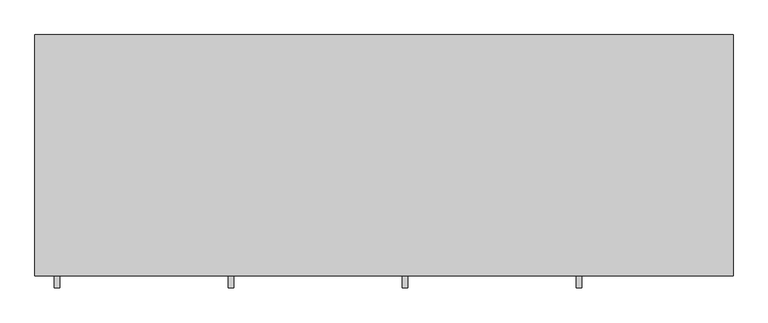
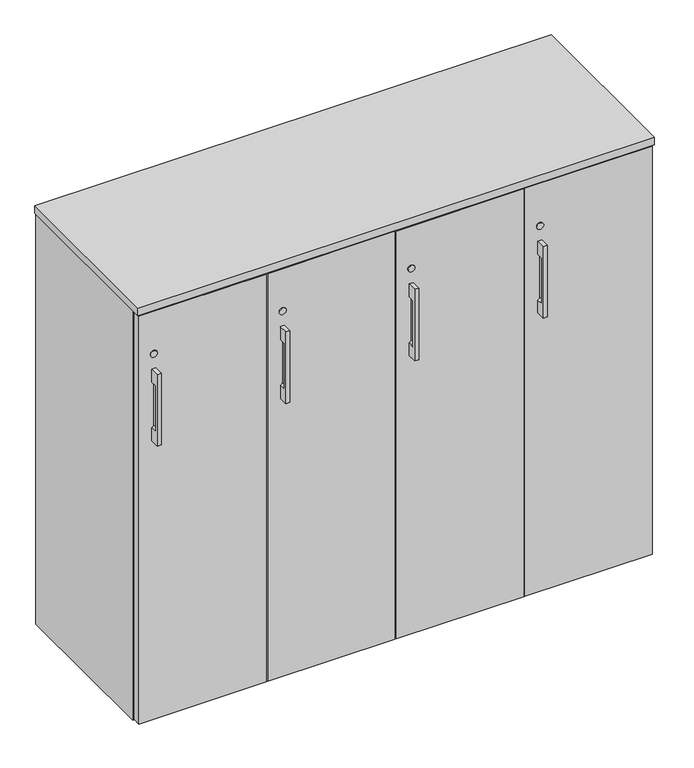
"""IFC4 building model written with IfcOpenShell, lengths in millimetres: furniture geometry."""

import ifcopenshell
import ifcopenshell.guid

model = None  # the IFC model being written
_history = None  # IfcOwnerHistory: only IFC2X3 demands one
_inside = {}  # id of a spatial element -> (the spatial element, [elements in it])
_under = {}  # id of a project, library or spatial element -> (it, [spatial elements below it])
_declared = {}  # id of a project -> (the project, [libraries it declares])
_typed = {}  # id of a type object -> (the type object, [elements of that type])
_made_of = {}  # id of a material, layer set ... -> (it, [elements and type objects made of it])


def new_model(schema):
    """Start an empty IFC model of exactly this schema.

    Asked for "IFC4X3", IfcOpenShell would pick the latest addendum, in which some entities
    have other attributes; the version numbers below select the first issue.
    IFC2X3 requires an IfcOwnerHistory on every rooted entity: one is made here for all.
    """
    global model, _history
    if schema == "IFC4X3":
        model = ifcopenshell.file(schema_version=(4, 3, 0, 0))
    else:
        model = ifcopenshell.file(schema=schema)
    _inside.clear()
    _under.clear()
    _declared.clear()
    _typed.clear()
    _made_of.clear()
    _history = None
    if model.schema == "IFC2X3":
        org = make("IfcOrganization", Name="unknown")
        user = make(
            "IfcPersonAndOrganization",
            ThePerson=make("IfcPerson", FamilyName="unknown"),
            TheOrganization=org,
        )
        app = make(
            "IfcApplication",
            ApplicationDeveloper=org,
            Version="unknown",
            ApplicationFullName="unknown",
            ApplicationIdentifier="unknown",
        )
        _history = make(
            "IfcOwnerHistory",
            OwningUser=user,
            OwningApplication=app,
            ChangeAction="ADDED",
            CreationDate=0,
        )
    return model


def make(cls, **values):
    """One entity of the class cls with the attributes given. An attribute that is None is left unset."""
    return model.create_entity(
        cls, **{name: value for name, value in values.items() if value is not None}
    )


def rooted(cls, **values):
    """An entity with a GlobalId (a new one), such as an element, a storey or a relation."""
    return make(cls, GlobalId=ifcopenshell.guid.new(), OwnerHistory=_history, **values)


def si_unit(unit_type, name, prefix=None):
    """IfcSIUnit, for example si_unit("LENGTHUNIT", "METRE", prefix="MILLI")."""
    return make("IfcSIUnit", UnitType=unit_type, Prefix=prefix, Name=name)


def assignment(units):
    """IfcUnitAssignment: the units of a project."""
    return None if units is None else make("IfcUnitAssignment", Units=units)


def point(xyz):
    """IfcCartesianPoint."""
    return None if xyz is None else make("IfcCartesianPoint", Coordinates=xyz)


def direction(xyz):
    """IfcDirection."""
    return None if xyz is None else make("IfcDirection", DirectionRatios=xyz)


def frame(location, z_axis=None, x_axis=None):
    """IfcAxis2Placement3D, a coordinate frame: its origin and axes. An axis left out is left unset."""
    return make(
        "IfcAxis2Placement3D",
        Location=point(location),
        Axis=direction(z_axis),
        RefDirection=direction(x_axis),
    )


def frame_2d(location, x_axis=None):
    """IfcAxis2Placement2D, a coordinate frame in the plane: its origin and x axis."""
    return make(
        "IfcAxis2Placement2D", Location=point(location), RefDirection=direction(x_axis)
    )


def origin():
    """The frame at (0, 0, 0) with its axes left unset."""
    return frame((0.0, 0.0, 0.0))


def origin_with_axes():
    """The frame at (0, 0, 0) with the z axis (0, 0, 1) and the x axis (1, 0, 0) written out."""
    return frame((0.0, 0.0, 0.0), z_axis=(0.0, 0.0, 1.0), x_axis=(1.0, 0.0, 0.0))


def place(relative_to, where):
    """IfcLocalPlacement: puts the frame where relative to a parent placement (None: the world)."""
    return make(
        "IfcLocalPlacement", PlacementRelTo=relative_to, RelativePlacement=where
    )


def context(
    kind, dimensions, precision=None, world=None, true_north=None, identifier=None
):
    """IfcGeometricRepresentationContext, for example the 3D "Model" context."""
    return make(
        "IfcGeometricRepresentationContext",
        ContextIdentifier=identifier,
        ContextType=kind,
        CoordinateSpaceDimension=dimensions,
        Precision=precision,
        WorldCoordinateSystem=world,
        TrueNorth=true_north,
    )


def project(units=None, contexts=None):
    """IfcProject with its units and contexts."""
    return rooted(
        "IfcProject",
        Name="project",
        RepresentationContexts=contexts,
        UnitsInContext=assignment(units),
    )


def spatial(cls, under=None, at=None, **own):
    """A site, building, storey or space (cls), placed at a placement, below another one or the project."""
    s = rooted(cls, ObjectPlacement=at, **own)
    if under is not None:
        _under.setdefault(under.id(), (under, []))[1].append(s)
    return s


def polyline(points):
    """IfcPolyline through the points."""
    return make("IfcPolyline", Points=[point(p) for p in points])


def circle_curve(where, radius):
    """IfcCircle in the frame where."""
    return make("IfcCircle", Position=where, Radius=radius)


def trimmed(basis, trim1, trim2, sense, master):
    """IfcTrimmedCurve: the piece of a basis curve between two trims."""
    return make(
        "IfcTrimmedCurve",
        BasisCurve=basis,
        Trim1=trim1,
        Trim2=trim2,
        SenseAgreement=sense,
        MasterRepresentation=master,
    )


def segment(curve, same_sense, transition):
    """IfcCompositeCurveSegment."""
    return make(
        "IfcCompositeCurveSegment",
        Transition=transition,
        SameSense=same_sense,
        ParentCurve=curve,
    )


def composite_curve(segments, self_intersect=None):
    """IfcCompositeCurve: segments joined end to end."""
    return make("IfcCompositeCurve", Segments=segments, SelfIntersect=self_intersect)


def outline(outer, holes=None, kind="AREA"):
    """IfcArbitraryClosedProfileDef: a profile drawn as a closed curve; with holes, ...WithVoids."""
    if holes is None:
        return make("IfcArbitraryClosedProfileDef", ProfileType=kind, OuterCurve=outer)
    return make(
        "IfcArbitraryProfileDefWithVoids",
        ProfileType=kind,
        OuterCurve=outer,
        InnerCurves=holes,
    )


def extrude(swept, where, along, depth):
    """IfcExtrudedAreaSolid: the profile swept, set in the frame where, extruded along a direction by depth."""
    return make(
        "IfcExtrudedAreaSolid",
        SweptArea=swept,
        Position=where,
        ExtrudedDirection=direction(along),
        Depth=depth,
    )


def shape(context_of_items, identifier, shape_type, items):
    """IfcShapeRepresentation: the items that make up one representation, for example the "Body"."""
    return make(
        "IfcShapeRepresentation",
        ContextOfItems=context_of_items,
        RepresentationIdentifier=identifier,
        RepresentationType=shape_type,
        Items=items,
    )


def source(mapping_origin, context_of_items, identifier, shape_type, items):
    """IfcRepresentationMap: a shape defined once, which mapped items show again and again."""
    return make(
        "IfcRepresentationMap",
        MappingOrigin=mapping_origin,
        MappedRepresentation=shape(context_of_items, identifier, shape_type, items),
    )


def transform(
    local_origin,
    x_axis=None,
    y_axis=None,
    z_axis=None,
    scale=None,
    scale2=None,
    scale3=None,
    uniform=True,
):
    """IfcCartesianTransformationOperator3D, or its non-uniform kind. x_axis, y_axis, z_axis: its Axis1, 2, 3."""
    if uniform:
        return make(
            "IfcCartesianTransformationOperator3D",
            Axis1=direction(x_axis),
            Axis2=direction(y_axis),
            LocalOrigin=point(local_origin),
            Scale=scale,
            Axis3=direction(z_axis),
        )
    return make(
        "IfcCartesianTransformationOperator3DnonUniform",
        Axis1=direction(x_axis),
        Axis2=direction(y_axis),
        LocalOrigin=point(local_origin),
        Scale=scale,
        Axis3=direction(z_axis),
        Scale2=scale2,
        Scale3=scale3,
    )


def mapped(mapping_source, mapping_target):
    """IfcMappedItem: shows the shape of a source again, moved by a transform."""
    return make(
        "IfcMappedItem", MappingSource=mapping_source, MappingTarget=mapping_target
    )


def made_of(thing, what):
    """Note that an element or type object is made of a material, layer set ...; save() writes the relation."""
    if what is not None:
        _made_of.setdefault(what.id(), (what, []))[1].append(thing)
    return thing


def element(
    cls,
    number,
    at=None,
    inside=None,
    cuts=None,
    type_object=None,
    material=None,
    context=None,
    identifier="Body",
    shape_type=None,
    held_by="IfcProductDefinitionShape",
    body=None,
    shapes=None,
    **own,
):
    """One element of the class cls, such as IfcWall. Its Tag is "e" and its number.

    at: its placement. inside: the storey or other place that contains it. cuts: it is an
    opening in that element (IfcRelVoidsElement). A single representation is given by context,
    identifier, shape_type and body (its items); several are given by shapes. held_by: the class
    of the entity that holds the representations. save() writes the other relations.
    """
    e = rooted(cls, Tag="e%d" % number, ObjectPlacement=at, **own)
    if body is not None:
        shapes = [shape(context, identifier, shape_type, body)]
    if shapes is not None:
        e.Representation = make(held_by, Representations=shapes)
    if inside is not None:
        _inside.setdefault(inside.id(), (inside, []))[1].append(e)
    if cuts is not None:
        rooted(
            "IfcRelVoidsElement", RelatingBuildingElement=cuts, RelatedOpeningElement=e
        )
    if type_object is not None:
        _typed.setdefault(type_object.id(), (type_object, []))[1].append(e)
    return made_of(e, material)


def aggregate(whole, parts):
    """IfcRelAggregates: a whole, such as a stair, and the parts it consists of."""
    return rooted("IfcRelAggregates", RelatingObject=whole, RelatedObjects=parts)


def save(model, path):
    """Write the relations noted so far, then the file.

    IfcRelAggregates (storeys below a building ...), IfcRelContainedInSpatialStructure (elements
    in a storey), IfcRelDefinesByType, IfcRelAssociatesMaterial and IfcRelDeclares: one each for
    every whole, place, type object, material and project.
    """
    for whole, parts in _under.values():
        aggregate(whole, parts)
    for where, things in _inside.values():
        rooted(
            "IfcRelContainedInSpatialStructure",
            RelatedElements=things,
            RelatingStructure=where,
        )
    for kind, things in _typed.values():
        rooted("IfcRelDefinesByType", RelatedObjects=things, RelatingType=kind)
    for what, things in _made_of.values():
        rooted("IfcRelAssociatesMaterial", RelatedObjects=things, RelatingMaterial=what)
    for by, libraries in _declared.values():
        rooted("IfcRelDeclares", RelatingContext=by, RelatedDefinitions=libraries)
    model.write(path)


def plane_surface(at):
    """IfcPlane: the flat surface through the origin of the frame at, square to its z axis."""
    return make("IfcPlane", Position=at)


def revolved_surface(curve, axis_point, axis_direction):
    """IfcSurfaceOfRevolution: the curve turned about the line through axis_point along axis_direction."""
    return make(
        "IfcSurfaceOfRevolution",
        SweptCurve=make("IfcArbitraryOpenProfileDef", ProfileType="CURVE", Curve=curve),
        AxisPosition=make("IfcAxis1Placement", Location=point(axis_point), Axis=direction(axis_direction)),
    )


def advanced_brep(points, edges, surfaces, faces):
    """IfcAdvancedBrep: a solid bounded by faces that lie on surfaces and meet in shared edges.

    An edge is (start, end): straight between two places in points (the first is 0);
    or (start, end, curve); or (start, end, curve, False) where it runs against its curve.
    A face is (place in surfaces, loops), or (place, loops, False) where it looks against
    its surface's normal. A loop lists edges by number (the first is 1), with a minus sign
    where the edge is run from its end to its start. The first loop is the outer one.
    """
    corners = [point(p) for p in points]
    vertices = [make("IfcVertexPoint", VertexGeometry=c) for c in corners]
    made = []
    for start, end, *more in edges:
        made.append(
            make(
                "IfcEdgeCurve",
                EdgeStart=vertices[start],
                EdgeEnd=vertices[end],
                EdgeGeometry=more[0] if more else make("IfcPolyline", Points=[corners[start], corners[end]]),
                SameSense=more[1] if len(more) > 1 else True,
            )
        )
    hull = []
    for where, loops, *sense in faces:
        bounds = []
        for j, loop in enumerate(loops):
            ring = [make("IfcOrientedEdge", EdgeElement=made[abs(k) - 1], Orientation=k > 0) for k in loop]
            bounds.append(
                make(
                    "IfcFaceOuterBound" if j == 0 else "IfcFaceBound",
                    Bound=make("IfcEdgeLoop", EdgeList=ring),
                    Orientation=True,
                )
            )
        hull.append(make("IfcAdvancedFace", Bounds=bounds, FaceSurface=surfaces[where], SameSense=sense[0] if sense else True))
    return make("IfcAdvancedBrep", Outer=make("IfcClosedShell", CfsFaces=hull))


def furniture_000dd301(model_context):
    return source(origin(), model_context, "Body", "SolidModel", [
        advanced_brep(
        [(33.3362221, -447.8115021, 878.8908), (33.3362221, -447.8115021, 701.0908), (42.8612221, -447.8115021, 701.0908), (42.8612221, -447.8115021, 878.8908), (33.3362221, -425.5865021, 878.8908), (42.8612221, -425.5865021, 878.8908), (42.8612221, -425.5865021, 701.0908), (33.3362221, -425.5865021, 701.0908), (33.3362221, -425.5865021, 733.0424389), (38.0987221, -425.5865021, 739.1908), (38.0987221, -425.5865021, 840.7908), (33.3362221, -425.5865021, 846.9391611), (33.3362221, -441.523499, 846.9391611), (33.3362221, -441.523499, 733.0424389), (38.0987221, -441.523499, 840.7908), (38.0987221, -441.523499, 739.1908)],
        [
            (0, 1),
            (1, 2),
            (2, 3),
            (3, 0),
            (4, 5),
            (5, 6),
            (6, 7),
            (7, 8),
            (8, 9, circle_curve(frame((31.7487221, -425.5865021, 739.1908), z_axis=(0.0, -1.0, 0.0), x_axis=(1.0, 0.0, 0.0)), 6.35)),
            (9, 10),
            (10, 11, circle_curve(frame((31.7487221, -425.5865021, 840.7908), z_axis=(0.0, -1.0, 0.0), x_axis=(1.0, 0.0, 0.0)), 6.35)),
            (11, 4),
            (0, 4),
            (11, 12),
            (12, 13),
            (13, 8),
            (7, 1),
            (6, 2),
            (5, 3),
            (14, 15),
            (15, 13, circle_curve(frame((31.7487221, -441.523499, 739.1908), z_axis=(0.0, 1.0, 0.0), x_axis=(1.0, 0.0, 0.0)), 6.35)),
            (12, 14, circle_curve(frame((31.7487221, -441.523499, 840.7908), z_axis=(0.0, 1.0, 0.0), x_axis=(1.0, 0.0, 0.0)), 6.35)),
            (14, 10),
            (9, 15),
        ],
        [
            plane_surface(frame((33.3362221, -447.8115021, 701.0908), z_axis=(0.0, -1.0, 0.0), x_axis=(0.0, 0.0, -1.0))),
            plane_surface(frame((33.3362221, -425.5865021, 701.0908), z_axis=(0.0, 1.0, 0.0), x_axis=(0.0, 0.0, 1.0))),
            plane_surface(frame((33.3362221, -447.8115021, 878.8908), z_axis=(-1.0, 0.0, 0.0), x_axis=(0.0, 1.0, 0.0))),
            plane_surface(frame((33.3362221, -447.8115021, 701.0908), z_axis=(0.0, 0.0, -1.0), x_axis=(0.0, 1.0, 0.0))),
            plane_surface(frame((42.8612221, -447.8115021, 701.0908), z_axis=(1.0, 0.0, 0.0), x_axis=(0.0, 1.0, 0.0))),
            plane_surface(frame((42.8612221, -447.8115021, 878.8908), z_axis=(0.0, 0.0, 1.0), x_axis=(0.0, 1.0, 0.0))),
            plane_surface(frame((19.0487221, -441.523499, 847.1408), z_axis=(0.0, 1.0, 0.0), x_axis=(-1.0, 0.0, 0.0))),
            plane_surface(frame((38.0987221, -441.523499, 739.1908), z_axis=(-1.0, 0.0, 0.0), x_axis=(0.0, 1.0, 0.0))),
            revolved_surface(polyline([(38.098722099999996, -441.523499, 739.1908), (38.098722099999996, -425.5865021, 739.1908)]), (31.7487221, -425.5865021, 739.1908), (0.0, -1.0, 0.0)),
            revolved_surface(polyline([(38.098722099999996, -441.523499, 840.7908), (38.098722099999996, -425.5865021, 840.7908)]), (31.7487221, -425.5865021, 840.7908), (0.0, -1.0, 0.0)),
        ],
        [
            (0, [[1, 2, 3, 4]]),
            (1, [[5, 6, 7, 8, 9, 10, 11, 12]]),
            (2, [[-1, 13, -12, 14, 15, 16, -8, 17]]),
            (3, [[-2, -17, -7, 18]]),
            (4, [[-3, -18, -6, 19]]),
            (5, [[-4, -19, -5, -13]]),
            (6, [[20, 21, -15, 22]]),
            (7, [[-20, 23, -10, 24]]),
            (8, [[-24, -9, -16, -21]]),
            (9, [[-23, -22, -14, -11]]),
        ],
    ),
        advanced_brep(
        [(940.5924958, -447.8115021, 878.8908), (940.5924958, -447.8115021, 701.0908), (950.1174958, -447.8115021, 701.0908), (950.1174958, -447.8115021, 878.8908), (940.5924958, -425.5865021, 878.8908), (950.1174958, -425.5865021, 878.8908), (950.1174958, -425.5865021, 701.0908), (940.5924958, -425.5865021, 701.0908), (940.5924958, -425.5865021, 733.0424389), (945.3549958, -425.5865021, 739.1908), (945.3549958, -425.5865021, 840.7908), (940.5924958, -425.5865021, 846.9391611), (940.5924958, -441.523499, 846.9391611), (940.5924958, -441.523499, 733.0424389), (945.3549958, -441.523499, 840.7908), (945.3549958, -441.523499, 739.1908)],
        [
            (0, 1),
            (1, 2),
            (2, 3),
            (3, 0),
            (4, 5),
            (5, 6),
            (6, 7),
            (7, 8),
            (8, 9, circle_curve(frame((939.0049958, -425.5865021, 739.1908), z_axis=(0.0, -1.0, 0.0), x_axis=(1.0, 0.0, 0.0)), 6.35)),
            (9, 10),
            (10, 11, circle_curve(frame((939.0049958, -425.5865021, 840.7908), z_axis=(0.0, -1.0, 0.0), x_axis=(1.0, 0.0, 0.0)), 6.35)),
            (11, 4),
            (0, 4),
            (11, 12),
            (12, 13),
            (13, 8),
            (7, 1),
            (6, 2),
            (5, 3),
            (14, 15),
            (15, 13, circle_curve(frame((939.0049958, -441.523499, 739.1908), z_axis=(0.0, 1.0, 0.0), x_axis=(1.0, 0.0, 0.0)), 6.35)),
            (12, 14, circle_curve(frame((939.0049958, -441.523499, 840.7908), z_axis=(0.0, 1.0, 0.0), x_axis=(1.0, 0.0, 0.0)), 6.35)),
            (14, 10),
            (9, 15),
        ],
        [
            plane_surface(frame((940.5924958, -447.8115021, 701.0908), z_axis=(0.0, -1.0, 0.0), x_axis=(0.0, 0.0, -1.0))),
            plane_surface(frame((940.5924958, -425.5865021, 701.0908), z_axis=(0.0, 1.0, 0.0), x_axis=(0.0, 0.0, 1.0))),
            plane_surface(frame((940.5924958, -447.8115021, 878.8908), z_axis=(-1.0, 0.0, 0.0), x_axis=(0.0, 1.0, 0.0))),
            plane_surface(frame((940.5924958, -447.8115021, 701.0908), z_axis=(0.0, 0.0, -1.0), x_axis=(0.0, 1.0, 0.0))),
            plane_surface(frame((950.1174958, -447.8115021, 701.0908), z_axis=(1.0, 0.0, 0.0), x_axis=(0.0, 1.0, 0.0))),
            plane_surface(frame((950.1174958, -447.8115021, 878.8908), z_axis=(0.0, 0.0, 1.0), x_axis=(0.0, 1.0, 0.0))),
            plane_surface(frame((926.3049958, -441.523499, 847.1408), z_axis=(0.0, 1.0, 0.0), x_axis=(-1.0, 0.0, 0.0))),
            plane_surface(frame((945.3549958, -441.523499, 739.1908), z_axis=(-1.0, 0.0, 0.0), x_axis=(0.0, 1.0, 0.0))),
            revolved_surface(polyline([(945.3549958, -441.523499, 739.1908), (945.3549958, -425.5865021, 739.1908)]), (939.0049958, -425.5865021, 739.1908), (0.0, -1.0, 0.0)),
            revolved_surface(polyline([(945.3549958, -441.523499, 840.7908), (945.3549958, -425.5865021, 840.7908)]), (939.0049958, -425.5865021, 840.7908), (0.0, -1.0, 0.0)),
        ],
        [
            (0, [[1, 2, 3, 4]]),
            (1, [[5, 6, 7, 8, 9, 10, 11, 12]]),
            (2, [[-1, 13, -12, 14, 15, 16, -8, 17]]),
            (3, [[-2, -17, -7, 18]]),
            (4, [[-3, -18, -6, 19]]),
            (5, [[-4, -19, -5, -13]]),
            (6, [[20, 21, -15, 22]]),
            (7, [[-20, 23, -10, 24]]),
            (8, [[-24, -9, -16, -21]]),
            (9, [[-23, -22, -14, -11]]),
        ],
    ),
        advanced_brep(
        [(638.1737379, -447.8115021, 878.8908), (638.1737379, -447.8115021, 701.0908), (647.6987379, -447.8115021, 701.0908), (647.6987379, -447.8115021, 878.8908), (638.1737379, -425.5865021, 878.8908), (647.6987379, -425.5865021, 878.8908), (647.6987379, -425.5865021, 701.0908), (638.1737379, -425.5865021, 701.0908), (638.1737379, -425.5865021, 733.0424389), (642.9362379, -425.5865021, 739.1908), (642.9362379, -425.5865021, 840.7908), (638.1737379, -425.5865021, 846.9391611), (638.1737379, -441.523499, 846.9391611), (638.1737379, -441.523499, 733.0424389), (642.9362379, -441.523499, 840.7908), (642.9362379, -441.523499, 739.1908)],
        [
            (0, 1),
            (1, 2),
            (2, 3),
            (3, 0),
            (4, 5),
            (5, 6),
            (6, 7),
            (7, 8),
            (8, 9, circle_curve(frame((636.5862379, -425.5865021, 739.1908), z_axis=(0.0, -1.0, 0.0), x_axis=(1.0, 0.0, 0.0)), 6.35)),
            (9, 10),
            (10, 11, circle_curve(frame((636.5862379, -425.5865021, 840.7908), z_axis=(0.0, -1.0, 0.0), x_axis=(1.0, 0.0, 0.0)), 6.35)),
            (11, 4),
            (0, 4),
            (11, 12),
            (12, 13),
            (13, 8),
            (7, 1),
            (6, 2),
            (5, 3),
            (14, 15),
            (15, 13, circle_curve(frame((636.5862379, -441.523499, 739.1908), z_axis=(0.0, 1.0, 0.0), x_axis=(1.0, 0.0, 0.0)), 6.35)),
            (12, 14, circle_curve(frame((636.5862379, -441.523499, 840.7908), z_axis=(0.0, 1.0, 0.0), x_axis=(1.0, 0.0, 0.0)), 6.35)),
            (14, 10),
            (9, 15),
        ],
        [
            plane_surface(frame((638.1737379, -447.8115021, 701.0908), z_axis=(0.0, -1.0, 0.0), x_axis=(0.0, 0.0, -1.0))),
            plane_surface(frame((638.1737379, -425.5865021, 701.0908), z_axis=(0.0, 1.0, 0.0), x_axis=(0.0, 0.0, 1.0))),
            plane_surface(frame((638.1737379, -447.8115021, 878.8908), z_axis=(-1.0, 0.0, 0.0), x_axis=(0.0, 1.0, 0.0))),
            plane_surface(frame((638.1737379, -447.8115021, 701.0908), z_axis=(0.0, 0.0, -1.0), x_axis=(0.0, 1.0, 0.0))),
            plane_surface(frame((647.6987379, -447.8115021, 701.0908), z_axis=(1.0, 0.0, 0.0), x_axis=(0.0, 1.0, 0.0))),
            plane_surface(frame((647.6987379, -447.8115021, 878.8908), z_axis=(0.0, 0.0, 1.0), x_axis=(0.0, 1.0, 0.0))),
            plane_surface(frame((623.8862379, -441.523499, 847.1408), z_axis=(0.0, 1.0, 0.0), x_axis=(-1.0, 0.0, 0.0))),
            plane_surface(frame((642.9362379, -441.523499, 739.1908), z_axis=(-1.0, 0.0, 0.0), x_axis=(0.0, 1.0, 0.0))),
            revolved_surface(polyline([(642.9362379, -441.523499, 739.1908), (642.9362379, -425.5865021, 739.1908)]), (636.5862379, -425.5865021, 739.1908), (0.0, -1.0, 0.0)),
            revolved_surface(polyline([(642.9362379, -441.523499, 840.7908), (642.9362379, -425.5865021, 840.7908)]), (636.5862379, -425.5865021, 840.7908), (0.0, -1.0, 0.0)),
        ],
        [
            (0, [[1, 2, 3, 4]]),
            (1, [[5, 6, 7, 8, 9, 10, 11, 12]]),
            (2, [[-1, 13, -12, 14, 15, 16, -8, 17]]),
            (3, [[-2, -17, -7, 18]]),
            (4, [[-3, -18, -6, 19]]),
            (5, [[-4, -19, -5, -13]]),
            (6, [[20, 21, -15, 22]]),
            (7, [[-20, 23, -10, 24]]),
            (8, [[-24, -9, -16, -21]]),
            (9, [[-23, -22, -14, -11]]),
        ],
    ),
        advanced_brep(
        [(335.75498, -447.8115021, 878.8908), (335.75498, -447.8115021, 701.0908), (345.27998, -447.8115021, 701.0908), (345.27998, -447.8115021, 878.8908), (335.75498, -425.5865021, 878.8908), (345.27998, -425.5865021, 878.8908), (345.27998, -425.5865021, 701.0908), (335.75498, -425.5865021, 701.0908), (335.75498, -425.5865021, 733.0424389), (340.51748, -425.5865021, 739.1908), (340.51748, -425.5865021, 840.7908), (335.75498, -425.5865021, 846.9391611), (335.75498, -441.523499, 846.9391611), (335.75498, -441.523499, 733.0424389), (340.51748, -441.523499, 840.7908), (340.51748, -441.523499, 739.1908)],
        [
            (0, 1),
            (1, 2),
            (2, 3),
            (3, 0),
            (4, 5),
            (5, 6),
            (6, 7),
            (7, 8),
            (8, 9, circle_curve(frame((334.16748, -425.5865021, 739.1908), z_axis=(0.0, -1.0, 0.0), x_axis=(1.0, 0.0, 0.0)), 6.35)),
            (9, 10),
            (10, 11, circle_curve(frame((334.16748, -425.5865021, 840.7908), z_axis=(0.0, -1.0, 0.0), x_axis=(1.0, 0.0, 0.0)), 6.35)),
            (11, 4),
            (0, 4),
            (11, 12),
            (12, 13),
            (13, 8),
            (7, 1),
            (6, 2),
            (5, 3),
            (14, 15),
            (15, 13, circle_curve(frame((334.16748, -441.523499, 739.1908), z_axis=(0.0, 1.0, 0.0), x_axis=(1.0, 0.0, 0.0)), 6.35)),
            (12, 14, circle_curve(frame((334.16748, -441.523499, 840.7908), z_axis=(0.0, 1.0, 0.0), x_axis=(1.0, 0.0, 0.0)), 6.35)),
            (14, 10),
            (9, 15),
        ],
        [
            plane_surface(frame((335.75498, -447.8115021, 701.0908), z_axis=(0.0, -1.0, 0.0), x_axis=(0.0, 0.0, -1.0))),
            plane_surface(frame((335.75498, -425.5865021, 701.0908), z_axis=(0.0, 1.0, 0.0), x_axis=(0.0, 0.0, 1.0))),
            plane_surface(frame((335.75498, -447.8115021, 878.8908), z_axis=(-1.0, 0.0, 0.0), x_axis=(0.0, 1.0, 0.0))),
            plane_surface(frame((335.75498, -447.8115021, 701.0908), z_axis=(0.0, 0.0, -1.0), x_axis=(0.0, 1.0, 0.0))),
            plane_surface(frame((345.27998, -447.8115021, 701.0908), z_axis=(1.0, 0.0, 0.0), x_axis=(0.0, 1.0, 0.0))),
            plane_surface(frame((345.27998, -447.8115021, 878.8908), z_axis=(0.0, 0.0, 1.0), x_axis=(0.0, 1.0, 0.0))),
            plane_surface(frame((321.46748, -441.523499, 847.1408), z_axis=(0.0, 1.0, 0.0), x_axis=(-1.0, 0.0, 0.0))),
            plane_surface(frame((340.51748, -441.523499, 739.1908), z_axis=(-1.0, 0.0, 0.0), x_axis=(0.0, 1.0, 0.0))),
            revolved_surface(polyline([(340.51748000000003, -441.523499, 739.1908), (340.51748000000003, -425.5865021, 739.1908)]), (334.16748, -425.5865021, 739.1908), (0.0, -1.0, 0.0)),
            revolved_surface(polyline([(340.51748000000003, -441.523499, 840.7908), (340.51748000000003, -425.5865021, 840.7908)]), (334.16748, -425.5865021, 840.7908), (0.0, -1.0, 0.0)),
        ],
        [
            (0, [[1, 2, 3, 4]]),
            (1, [[5, 6, 7, 8, 9, 10, 11, 12]]),
            (2, [[-1, 13, -12, 14, 15, 16, -8, 17]]),
            (3, [[-2, -17, -7, 18]]),
            (4, [[-3, -18, -6, 19]]),
            (5, [[-4, -19, -5, -13]]),
            (6, [[20, 21, -15, 22]]),
            (7, [[-20, 23, -10, 24]]),
            (8, [[-24, -9, -16, -21]]),
            (9, [[-23, -22, -14, -11]]),
        ],
    ),
        extrude(outline(polyline([(1150.5192181, -345.6312472), (1166.4670759, -336.4237472), (1182.4149337, -345.6312472), (1182.4149337, -364.0462472), (1166.4670759, -373.2537472), (1150.5192181, -364.0462472), (1150.5192181, -345.6312472)])), origin_with_axes(), (0.0, 0.0, 1.0), 9.144),
        extrude(outline(polyline([(1150.5192181, -47.1181713), (1166.4670759, -37.9106713), (1182.4149337, -47.1181713), (1182.4149337, -65.5331713), (1166.4670759, -74.7406713), (1150.5192181, -65.5331713), (1150.5192181, -47.1181713)])), origin_with_axes(), (0.0, 0.0, 1.0), 9.144),
        extrude(outline(polyline([(30.4350663, -345.6312472), (46.3829241, -336.4237472), (62.3307819, -345.6312472), (62.3307819, -364.0462472), (46.3829241, -373.2537472), (30.4350663, -364.0462472), (30.4350663, -345.6312472)])), origin_with_axes(), (0.0, 0.0, 1.0), 9.144),
        extrude(outline(polyline([(30.4350663, -47.1181713), (46.3829241, -37.9106713), (62.3307819, -47.1181713), (62.3307819, -65.5331713), (46.3829241, -74.7406713), (30.4350663, -65.5331713), (30.4350663, -47.1181713)])), origin_with_axes(), (0.0, 0.0, 1.0), 9.144),
        extrude(outline(polyline([(587.1210079, -30.4938704), (606.4250079, -30.4938704), (606.4250079, -401.5835036), (587.1210079, -401.5835036), (587.1210079, -30.4938704)])), frame((0.0, 0.0, 79.57058), z_axis=(0.0, 0.0, 1.0), x_axis=(1.0, 0.0, 0.0)), (0.0, 0.0, 1.0), 944.60822),
        extrude(outline(polyline([(889.5397579, -30.4938704), (908.8437579, -30.4938704), (908.8437579, -401.5835036), (889.5397579, -401.5835036), (889.5397579, -30.4938704)])), frame((0.0, 0.0, 79.57058), z_axis=(0.0, 0.0, 1.0), x_axis=(1.0, 0.0, 0.0)), (0.0, 0.0, 1.0), 944.60822),
        extrude(outline(polyline([(304.0062421, -30.4938704), (304.0062421, -401.5835036), (284.7022421, -401.5835036), (284.7022421, -30.4938704), (304.0062421, -30.4938704)])), frame((0.0, 0.0, 79.57058), z_axis=(0.0, 0.0, 1.0), x_axis=(1.0, 0.0, 0.0)), (0.0, 0.0, 1.0), 944.60822),
        extrude(outline(polyline([(1191.9585154, -11.1898712), (1191.9585154, -30.4938704), (20.8915005, -30.4938704), (20.8915005, -11.1898712), (1191.9585154, -11.1898712)])), frame((0.0, 0.0, 4.699), z_axis=(0.0, 0.0, 1.0), x_axis=(1.0, 0.0, 0.0)), (0.0, 0.0, 1.0), 1019.4798),
        extrude(outline(polyline([(20.8915005, -9.6658713), (20.8915005, -403.1075021), (1.5874842, -403.1075021), (1.5874842, -9.6658713), (20.8915005, -9.6658713)])), frame((0.0, 0.0, 4.699), z_axis=(0.0, 0.0, 1.0), x_axis=(1.0, 0.0, 0.0)), (0.0, 0.0, 1.0), 1019.4798),
        extrude(outline(polyline([(1191.9585154, -9.6658713), (1211.2625158, -9.6658713), (1211.2625158, -403.1075021), (1191.9585154, -403.1075021), (1191.9585154, -9.6658713)])), frame((0.0, 0.0, 4.699), z_axis=(0.0, 0.0, 1.0), x_axis=(1.0, 0.0, 0.0)), (0.0, 0.0, 1.0), 1019.4798),
        extrude(outline(polyline([(625.7290079, -30.4938704), (625.7290079, -401.5835036), (606.4250079, -401.5835036), (606.4250079, -30.4938704), (625.7290079, -30.4938704)])), frame((0.0, 0.0, 79.57058), z_axis=(0.0, 0.0, 1.0), x_axis=(1.0, 0.0, 0.0)), (0.0, 0.0, 1.0), 944.60822),
        extrude(outline(polyline([(304.0062421, -30.4938704), (323.3102421, -30.4938704), (323.3102421, -401.5835036), (304.0062421, -401.5835036), (304.0062421, -30.4938704)])), frame((0.0, 0.0, 79.57058), z_axis=(0.0, 0.0, 1.0), x_axis=(1.0, 0.0, 0.0)), (0.0, 0.0, 1.0), 944.60822),
        extrude(outline(polyline([(928.1477579, -30.4938704), (928.1477579, -401.5835036), (908.8437579, -401.5835036), (908.8437579, -30.4938704), (928.1477579, -30.4938704)])), frame((0.0, 0.0, 79.57058), z_axis=(0.0, 0.0, 1.0), x_axis=(1.0, 0.0, 0.0)), (0.0, 0.0, 1.0), 944.60822),
        extrude(outline(polyline([(1191.9585154, -30.4938704), (1191.9585154, -402.7264934), (20.8915005, -402.7264934), (20.8915005, -30.4938704), (1191.9585154, -30.4938704)])), frame((0.0, 0.0, 1004.8748), z_axis=(0.0, 0.0, 1.0), x_axis=(1.0, 0.0, 0.0)), (0.0, 0.0, 1.0), 19.304),
        extrude(outline(polyline([(1212.85, -8.0783713), (1212.85, -427.1783713), (0.0, -427.1783713), (0.0, -8.0783713), (1212.85, -8.0783713)])), frame((0.0, 0.0, 1024.1788031), z_axis=(0.0, 0.0, 1.0), x_axis=(1.0, 0.0, 0.0)), (0.0, 0.0, 1.0), 19.0499969),
        extrude(outline(polyline([(1191.9585154, -30.4938704), (1191.9585154, -402.7264934), (20.8915005, -402.7264934), (20.8915005, -30.4938704), (1191.9585154, -30.4938704)])), frame((0.0, 0.0, 60.26658), z_axis=(0.0, 0.0, 1.0), x_axis=(1.0, 0.0, 0.0)), (0.0, 0.0, 1.0), 19.304),
        extrude(outline(polyline([(1191.9585154, -401.5835036), (20.8915005, -401.5835036), (20.8915005, -382.2795036), (1191.9585154, -382.2795036), (1191.9585154, -401.5835036)])), frame((0.0, 0.0, 4.699), z_axis=(0.0, 0.0, 1.0), x_axis=(1.0, 0.0, 0.0)), (0.0, 0.0, 1.0), 55.56758),
        extrude(outline(composite_curve([segment(trimmed(circle_curve(frame_2d((916.2288, 38.0987221)), 8.001), [point((916.2288, 30.0977221))], [point((916.2288, 46.0997221))], False, "CARTESIAN"), True, "CONTINUOUS"), segment(trimmed(circle_curve(frame_2d((916.2288, 38.0987221)), 8.001), [point((916.2288, 46.0997221))], [point((916.2288, 30.0977221))], False, "CARTESIAN"), True, "CONTINUOUS")], self_intersect=False)), frame((0.0, -427.1783713, 0.0), z_axis=(0.0, 1.0, 0.0), x_axis=(0.0, 0.0, 1.0)), (0.0, 0.0, 1.0), 1.5918692),
        extrude(outline(composite_curve([segment(trimmed(circle_curve(frame_2d((916.2288, 340.51748)), 8.001), [point((916.2288, 332.51648))], [point((916.2288, 348.51848))], False, "CARTESIAN"), True, "CONTINUOUS"), segment(trimmed(circle_curve(frame_2d((916.2288, 340.51748)), 8.001), [point((916.2288, 348.51848))], [point((916.2288, 332.51648))], False, "CARTESIAN"), True, "CONTINUOUS")], self_intersect=False)), frame((0.0, -427.1783713, 0.0), z_axis=(0.0, 1.0, 0.0), x_axis=(0.0, 0.0, 1.0)), (0.0, 0.0, 1.0), 1.5918692),
        extrude(outline(composite_curve([segment(trimmed(circle_curve(frame_2d((916.2288, 642.9362379)), 8.001), [point((916.2288, 634.9352379))], [point((916.2288, 650.9372379))], False, "CARTESIAN"), True, "CONTINUOUS"), segment(trimmed(circle_curve(frame_2d((916.2288, 642.9362379)), 8.001), [point((916.2288, 650.9372379))], [point((916.2288, 634.9352379))], False, "CARTESIAN"), True, "CONTINUOUS")], self_intersect=False)), frame((0.0, -427.1783713, 0.0), z_axis=(0.0, 1.0, 0.0), x_axis=(0.0, 0.0, 1.0)), (0.0, 0.0, 1.0), 1.5918692),
        extrude(outline(composite_curve([segment(trimmed(circle_curve(frame_2d((916.2288, 945.3549958)), 8.001), [point((916.2288, 937.3539958))], [point((916.2288, 953.3559958))], False, "CARTESIAN"), True, "CONTINUOUS"), segment(trimmed(circle_curve(frame_2d((916.2288, 945.3549958)), 8.001), [point((916.2288, 953.3559958))], [point((916.2288, 937.3539958))], False, "CARTESIAN"), True, "CONTINUOUS")], self_intersect=False)), frame((0.0, -427.1783713, 0.0), z_axis=(0.0, 1.0, 0.0), x_axis=(0.0, 0.0, 1.0)), (0.0, 0.0, 1.0), 1.5918692),
        extrude(outline(polyline([(302.4187421, -425.5865021), (3.175, -425.5865021), (3.175, -406.2825021), (302.4187421, -406.2825021), (302.4187421, -425.5865021)])), frame((0.0, 0.0, 7.874), z_axis=(0.0, 0.0, 1.0), x_axis=(1.0, 0.0, 0.0)), (0.0, 0.0, 1.0), 1013.1298152),
        extrude(outline(polyline([(604.8375, -425.5865021), (305.5937421, -425.5865021), (305.5937421, -406.2825021), (604.8375, -406.2825021), (604.8375, -425.5865021)])), frame((0.0, 0.0, 7.874), z_axis=(0.0, 0.0, 1.0), x_axis=(1.0, 0.0, 0.0)), (0.0, 0.0, 1.0), 1013.1298152),
        extrude(outline(polyline([(907.2562579, -425.5865021), (608.0125, -425.5865021), (608.0125, -406.2825021), (907.2562579, -406.2825021), (907.2562579, -425.5865021)])), frame((0.0, 0.0, 7.874), z_axis=(0.0, 0.0, 1.0), x_axis=(1.0, 0.0, 0.0)), (0.0, 0.0, 1.0), 1013.1298152),
        extrude(outline(polyline([(1209.6750158, -425.5865021), (910.4312579, -425.5865021), (910.4312579, -406.2825021), (1209.6750158, -406.2825021), (1209.6750158, -425.5865021)])), frame((0.0, 0.0, 7.874), z_axis=(0.0, 0.0, 1.0), x_axis=(1.0, 0.0, 0.0)), (0.0, 0.0, 1.0), 1013.1298152),
    ])


if __name__ == "__main__":
    model = new_model("IFC4")
    model_context = context("Model", 3, world=origin())
    ifc_project = project(units=[si_unit("LENGTHUNIT", "METRE", prefix="MILLI")], contexts=[model_context])
    site = spatial("IfcSite", under=ifc_project)
    building = spatial("IfcBuilding", under=site)
    placement = place(None, origin())
    furniture_shape = furniture_000dd301(model_context)
    element("IfcFurniture", 1, at=placement, inside=building, context=model_context, shape_type="MappedRepresentation", body=[
        mapped(furniture_shape, transform((0.0, 0.0, 0.0), x_axis=(1.0, 0.0, 0.0), y_axis=(0.0, 1.0, 0.0), z_axis=(0.0, 0.0, 1.0))),
    ])
    save(model, "model.ifc")
